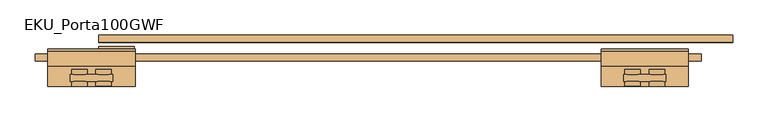
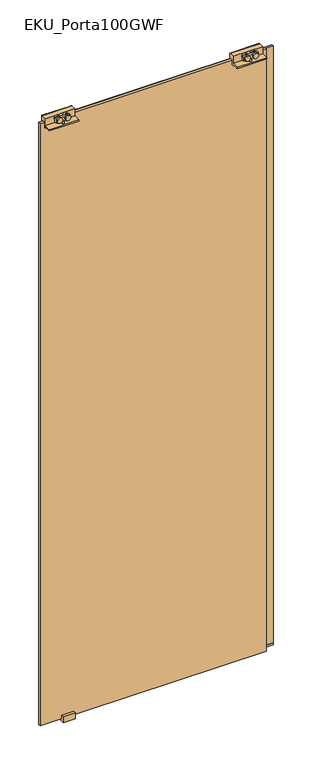
"""IFC4 building model written with IfcOpenShell, lengths in millimetres: door geometry, EKU_Porta100GWF."""

import ifcopenshell
import ifcopenshell.guid

model = None  # the IFC model being written
_history = None  # IfcOwnerHistory: only IFC2X3 demands one
_inside = {}  # id of a spatial element -> (the spatial element, [elements in it])
_under = {}  # id of a project, library or spatial element -> (it, [spatial elements below it])
_declared = {}  # id of a project -> (the project, [libraries it declares])
_typed = {}  # id of a type object -> (the type object, [elements of that type])
_made_of = {}  # id of a material, layer set ... -> (it, [elements and type objects made of it])


def new_model(schema):
    """Start an empty IFC model of exactly this schema.

    Asked for "IFC4X3", IfcOpenShell would pick the latest addendum, in which some entities
    have other attributes; the version numbers below select the first issue.
    IFC2X3 requires an IfcOwnerHistory on every rooted entity: one is made here for all.
    """
    global model, _history
    if schema == "IFC4X3":
        model = ifcopenshell.file(schema_version=(4, 3, 0, 0))
    else:
        model = ifcopenshell.file(schema=schema)
    _inside.clear()
    _under.clear()
    _declared.clear()
    _typed.clear()
    _made_of.clear()
    _history = None
    if model.schema == "IFC2X3":
        org = make("IfcOrganization", Name="unknown")
        user = make(
            "IfcPersonAndOrganization",
            ThePerson=make("IfcPerson", FamilyName="unknown"),
            TheOrganization=org,
        )
        app = make(
            "IfcApplication",
            ApplicationDeveloper=org,
            Version="unknown",
            ApplicationFullName="unknown",
            ApplicationIdentifier="unknown",
        )
        _history = make(
            "IfcOwnerHistory",
            OwningUser=user,
            OwningApplication=app,
            ChangeAction="ADDED",
            CreationDate=0,
        )
    return model


def make(cls, **values):
    """One entity of the class cls with the attributes given. An attribute that is None is left unset."""
    return model.create_entity(
        cls, **{name: value for name, value in values.items() if value is not None}
    )


def rooted(cls, **values):
    """An entity with a GlobalId (a new one), such as an element, a storey or a relation."""
    return make(cls, GlobalId=ifcopenshell.guid.new(), OwnerHistory=_history, **values)


def si_unit(unit_type, name, prefix=None):
    """IfcSIUnit, for example si_unit("LENGTHUNIT", "METRE", prefix="MILLI")."""
    return make("IfcSIUnit", UnitType=unit_type, Prefix=prefix, Name=name)


def assignment(units):
    """IfcUnitAssignment: the units of a project."""
    return None if units is None else make("IfcUnitAssignment", Units=units)


def point(xyz):
    """IfcCartesianPoint."""
    return None if xyz is None else make("IfcCartesianPoint", Coordinates=xyz)


def direction(xyz):
    """IfcDirection."""
    return None if xyz is None else make("IfcDirection", DirectionRatios=xyz)


def frame(location, z_axis=None, x_axis=None):
    """IfcAxis2Placement3D, a coordinate frame: its origin and axes. An axis left out is left unset."""
    return make(
        "IfcAxis2Placement3D",
        Location=point(location),
        Axis=direction(z_axis),
        RefDirection=direction(x_axis),
    )


def frame_2d(location, x_axis=None):
    """IfcAxis2Placement2D, a coordinate frame in the plane: its origin and x axis."""
    return make(
        "IfcAxis2Placement2D", Location=point(location), RefDirection=direction(x_axis)
    )


def origin():
    """The frame at (0, 0, 0) with its axes left unset."""
    return frame((0.0, 0.0, 0.0))


def place(relative_to, where):
    """IfcLocalPlacement: puts the frame where relative to a parent placement (None: the world)."""
    return make(
        "IfcLocalPlacement", PlacementRelTo=relative_to, RelativePlacement=where
    )


def context(
    kind, dimensions, precision=None, world=None, true_north=None, identifier=None
):
    """IfcGeometricRepresentationContext, for example the 3D "Model" context."""
    return make(
        "IfcGeometricRepresentationContext",
        ContextIdentifier=identifier,
        ContextType=kind,
        CoordinateSpaceDimension=dimensions,
        Precision=precision,
        WorldCoordinateSystem=world,
        TrueNorth=true_north,
    )


def project(units=None, contexts=None):
    """IfcProject with its units and contexts."""
    return rooted(
        "IfcProject",
        Name="project",
        RepresentationContexts=contexts,
        UnitsInContext=assignment(units),
    )


def spatial(cls, under=None, at=None, **own):
    """A site, building, storey or space (cls), placed at a placement, below another one or the project."""
    s = rooted(cls, ObjectPlacement=at, **own)
    if under is not None:
        _under.setdefault(under.id(), (under, []))[1].append(s)
    return s


def polyline(points):
    """IfcPolyline through the points."""
    return make("IfcPolyline", Points=[point(p) for p in points])


def circle_curve(where, radius):
    """IfcCircle in the frame where."""
    return make("IfcCircle", Position=where, Radius=radius)


def trimmed(basis, trim1, trim2, sense, master):
    """IfcTrimmedCurve: the piece of a basis curve between two trims."""
    return make(
        "IfcTrimmedCurve",
        BasisCurve=basis,
        Trim1=trim1,
        Trim2=trim2,
        SenseAgreement=sense,
        MasterRepresentation=master,
    )


def segment(curve, same_sense, transition):
    """IfcCompositeCurveSegment."""
    return make(
        "IfcCompositeCurveSegment",
        Transition=transition,
        SameSense=same_sense,
        ParentCurve=curve,
    )


def composite_curve(segments, self_intersect=None):
    """IfcCompositeCurve: segments joined end to end."""
    return make("IfcCompositeCurve", Segments=segments, SelfIntersect=self_intersect)


def outline(outer, holes=None, kind="AREA"):
    """IfcArbitraryClosedProfileDef: a profile drawn as a closed curve; with holes, ...WithVoids."""
    if holes is None:
        return make("IfcArbitraryClosedProfileDef", ProfileType=kind, OuterCurve=outer)
    return make(
        "IfcArbitraryProfileDefWithVoids",
        ProfileType=kind,
        OuterCurve=outer,
        InnerCurves=holes,
    )


def extrude(swept, where, along, depth):
    """IfcExtrudedAreaSolid: the profile swept, set in the frame where, extruded along a direction by depth."""
    return make(
        "IfcExtrudedAreaSolid",
        SweptArea=swept,
        Position=where,
        ExtrudedDirection=direction(along),
        Depth=depth,
    )


def shape(context_of_items, identifier, shape_type, items):
    """IfcShapeRepresentation: the items that make up one representation, for example the "Body"."""
    return make(
        "IfcShapeRepresentation",
        ContextOfItems=context_of_items,
        RepresentationIdentifier=identifier,
        RepresentationType=shape_type,
        Items=items,
    )


def source(mapping_origin, context_of_items, identifier, shape_type, items):
    """IfcRepresentationMap: a shape defined once, which mapped items show again and again."""
    return make(
        "IfcRepresentationMap",
        MappingOrigin=mapping_origin,
        MappedRepresentation=shape(context_of_items, identifier, shape_type, items),
    )


def transform(
    local_origin,
    x_axis=None,
    y_axis=None,
    z_axis=None,
    scale=None,
    scale2=None,
    scale3=None,
    uniform=True,
):
    """IfcCartesianTransformationOperator3D, or its non-uniform kind. x_axis, y_axis, z_axis: its Axis1, 2, 3."""
    if uniform:
        return make(
            "IfcCartesianTransformationOperator3D",
            Axis1=direction(x_axis),
            Axis2=direction(y_axis),
            LocalOrigin=point(local_origin),
            Scale=scale,
            Axis3=direction(z_axis),
        )
    return make(
        "IfcCartesianTransformationOperator3DnonUniform",
        Axis1=direction(x_axis),
        Axis2=direction(y_axis),
        LocalOrigin=point(local_origin),
        Scale=scale,
        Axis3=direction(z_axis),
        Scale2=scale2,
        Scale3=scale3,
    )


def mapped(mapping_source, mapping_target):
    """IfcMappedItem: shows the shape of a source again, moved by a transform."""
    return make(
        "IfcMappedItem", MappingSource=mapping_source, MappingTarget=mapping_target
    )


def made_of(thing, what):
    """Note that an element or type object is made of a material, layer set ...; save() writes the relation."""
    if what is not None:
        _made_of.setdefault(what.id(), (what, []))[1].append(thing)
    return thing


def element(
    cls,
    number,
    at=None,
    inside=None,
    cuts=None,
    type_object=None,
    material=None,
    context=None,
    identifier="Body",
    shape_type=None,
    held_by="IfcProductDefinitionShape",
    body=None,
    shapes=None,
    **own,
):
    """One element of the class cls, such as IfcWall. Its Tag is "e" and its number.

    at: its placement. inside: the storey or other place that contains it. cuts: it is an
    opening in that element (IfcRelVoidsElement). A single representation is given by context,
    identifier, shape_type and body (its items); several are given by shapes. held_by: the class
    of the entity that holds the representations. save() writes the other relations.
    """
    e = rooted(cls, Tag="e%d" % number, ObjectPlacement=at, **own)
    if body is not None:
        shapes = [shape(context, identifier, shape_type, body)]
    if shapes is not None:
        e.Representation = make(held_by, Representations=shapes)
    if inside is not None:
        _inside.setdefault(inside.id(), (inside, []))[1].append(e)
    if cuts is not None:
        rooted(
            "IfcRelVoidsElement", RelatingBuildingElement=cuts, RelatedOpeningElement=e
        )
    if type_object is not None:
        _typed.setdefault(type_object.id(), (type_object, []))[1].append(e)
    return made_of(e, material)


def aggregate(whole, parts):
    """IfcRelAggregates: a whole, such as a stair, and the parts it consists of."""
    return rooted("IfcRelAggregates", RelatingObject=whole, RelatedObjects=parts)


def save(model, path):
    """Write the relations noted so far, then the file.

    IfcRelAggregates (storeys below a building ...), IfcRelContainedInSpatialStructure (elements
    in a storey), IfcRelDefinesByType, IfcRelAssociatesMaterial and IfcRelDeclares: one each for
    every whole, place, type object, material and project.
    """
    for whole, parts in _under.values():
        aggregate(whole, parts)
    for where, things in _inside.values():
        rooted(
            "IfcRelContainedInSpatialStructure",
            RelatedElements=things,
            RelatingStructure=where,
        )
    for kind, things in _typed.values():
        rooted("IfcRelDefinesByType", RelatedObjects=things, RelatingType=kind)
    for what, things in _made_of.values():
        rooted("IfcRelAssociatesMaterial", RelatedObjects=things, RelatingMaterial=what)
    for by, libraries in _declared.values():
        rooted("IfcRelDeclares", RelatingContext=by, RelatedDefinitions=libraries)
    model.write(path)


def eku_porta100gwf_41130097(model_context):
    return source(origin(), model_context, "Body", "SweptSolid", [
        extrude(outline(composite_curve([segment(trimmed(circle_curve(frame_2d((2683.9921875, -749.6562807)), 11.0), [point((2683.9921875, -738.6562807))], [point((2683.9921875, -760.6562807))], False, "CARTESIAN"), True, "CONTINUOUS"), segment(trimmed(circle_curve(frame_2d((2683.9921875, -749.6562807)), 11.0), [point((2683.9921875, -760.6562807))], [point((2683.9921875, -738.6562807))], False, "CARTESIAN"), True, "CONTINUOUS")], self_intersect=False)), frame((0.0, -47.8664, 0.0), z_axis=(0.0, 1.0, 0.0), x_axis=(0.0, 0.0, 1.0)), (0.0, 0.0, 1.0), 6.5829776),
        extrude(outline(composite_curve([segment(trimmed(circle_curve(frame_2d((2683.9993602, -715.2812807)), 11.0), [point((2683.9993602, -704.2812807))], [point((2683.9993602, -726.2812807))], False, "CARTESIAN"), True, "CONTINUOUS"), segment(trimmed(circle_curve(frame_2d((2683.9993602, -715.2812807)), 11.0), [point((2683.9993602, -726.2812807))], [point((2683.9993602, -704.2812807))], False, "CARTESIAN"), True, "CONTINUOUS")], self_intersect=False)), frame((0.0, -31.1869495, 0.0), z_axis=(0.0, 1.0, 0.0), x_axis=(0.0, 0.0, 1.0)), (0.0, 0.0, 1.0), 7.0269907),
        extrude(outline(composite_curve([segment(trimmed(circle_curve(frame_2d((2683.9921875, -715.2812807)), 11.0), [point((2683.9921875, -704.2812807))], [point((2683.9921875, -726.2812807))], False, "CARTESIAN"), True, "CONTINUOUS"), segment(trimmed(circle_curve(frame_2d((2683.9921875, -715.2812807)), 11.0), [point((2683.9921875, -726.2812807))], [point((2683.9921875, -704.2812807))], False, "CARTESIAN"), True, "CONTINUOUS")], self_intersect=False)), frame((0.0, -48.25, 0.0), z_axis=(0.0, 1.0, 0.0), x_axis=(0.0, 0.0, 1.0)), (0.0, 0.0, 1.0), 6.9665776),
        extrude(outline(polyline([(-736.5, -31.1869495), (-728.5, -31.1869495), (-728.5, -41.2834224), (-736.5, -41.2834224), (-736.5, -31.1869495)])), frame((0.0, 0.0, 2661.0), z_axis=(0.0, 0.0, 1.0), x_axis=(1.0, 0.0, 0.0)), (0.0, 0.0, 1.0), 11.9515484),
        extrude(outline(polyline([(-762.5, -41.2834224), (-762.5, -31.1869495), (-702.5, -31.1869495), (-702.5, -41.2834224), (-762.5, -41.2834224)])), frame((0.0, 0.0, 2672.9515484), z_axis=(0.0, 0.0, 1.0), x_axis=(1.0, 0.0, 0.0)), (0.0, 0.0, 1.0), 18.2705237),
        extrude(outline(composite_curve([segment(trimmed(circle_curve(frame_2d((2683.9921875, -749.6562807)), 11.0), [point((2683.9921875, -738.6562807))], [point((2683.9921875, -760.6562807))], False, "CARTESIAN"), True, "CONTINUOUS"), segment(trimmed(circle_curve(frame_2d((2683.9921875, -749.6562807)), 11.0), [point((2683.9921875, -760.6562807))], [point((2683.9921875, -738.6562807))], False, "CARTESIAN"), True, "CONTINUOUS")], self_intersect=False)), frame((0.0, -31.1869495, 0.0), z_axis=(0.0, 1.0, 0.0), x_axis=(0.0, 0.0, 1.0)), (0.0, 0.0, 1.0), 7.0269907),
        extrude(outline(composite_curve([segment(trimmed(circle_curve(frame_2d((2683.9921875, -715.2812807)), 11.0), [point((2683.9921875, -704.2812807))], [point((2683.9921875, -726.2812807))], False, "CARTESIAN"), True, "CONTINUOUS"), segment(trimmed(circle_curve(frame_2d((2683.9921875, -715.2812807)), 11.0), [point((2683.9921875, -726.2812807))], [point((2683.9921875, -704.2812807))], False, "CARTESIAN"), True, "CONTINUOUS")], self_intersect=False)), frame((0.0, -48.25, 0.0), z_axis=(0.0, 1.0, 0.0), x_axis=(0.0, 0.0, 1.0)), (0.0, 0.0, 1.0), 6.9665776),
        extrude(outline(polyline([(-19.25, 2692.0), (2.442747, 2692.0), (4.75, 2692.0), (4.75, 2678.0), (4.75, 2650.0), (-2.25, 2650.0), (-2.25, 2672.0), (-12.25, 2672.0), (-12.25, 2650.0), (-19.25, 2650.0), (-19.25, 2655.0), (-48.25, 2655.0), (-48.25, 2661.0), (-19.25, 2661.0), (-19.25, 2692.0)])), frame((-794.5, 0.0, 0.0), z_axis=(1.0, 0.0, 0.0), x_axis=(0.0, 1.0, 0.0)), (0.0, 0.0, 1.0), 124.0),
        extrude(outline(composite_curve([segment(trimmed(circle_curve(frame_2d((2683.9921875, -1500.3437193)), 11.0), [point((2683.9921875, -1511.3437193))], [point((2683.9921875, -1489.3437193))], False, "CARTESIAN"), True, "CONTINUOUS"), segment(trimmed(circle_curve(frame_2d((2683.9921875, -1500.3437193)), 11.0), [point((2683.9921875, -1489.3437193))], [point((2683.9921875, -1511.3437193))], False, "CARTESIAN"), True, "CONTINUOUS")], self_intersect=False)), frame((0.0, -47.8664, 0.0), z_axis=(0.0, 1.0, 0.0), x_axis=(0.0, 0.0, 1.0)), (0.0, 0.0, 1.0), 6.5829776),
        extrude(outline(composite_curve([segment(trimmed(circle_curve(frame_2d((2683.9993602, -1534.7187193)), 11.0), [point((2683.9993602, -1545.7187193))], [point((2683.9993602, -1523.7187193))], False, "CARTESIAN"), True, "CONTINUOUS"), segment(trimmed(circle_curve(frame_2d((2683.9993602, -1534.7187193)), 11.0), [point((2683.9993602, -1523.7187193))], [point((2683.9993602, -1545.7187193))], False, "CARTESIAN"), True, "CONTINUOUS")], self_intersect=False)), frame((0.0, -31.1869495, 0.0), z_axis=(0.0, 1.0, 0.0), x_axis=(0.0, 0.0, 1.0)), (0.0, 0.0, 1.0), 7.0269907),
        extrude(outline(composite_curve([segment(trimmed(circle_curve(frame_2d((2683.9921875, -1534.7187193)), 11.0), [point((2683.9921875, -1545.7187193))], [point((2683.9921875, -1523.7187193))], False, "CARTESIAN"), True, "CONTINUOUS"), segment(trimmed(circle_curve(frame_2d((2683.9921875, -1534.7187193)), 11.0), [point((2683.9921875, -1523.7187193))], [point((2683.9921875, -1545.7187193))], False, "CARTESIAN"), True, "CONTINUOUS")], self_intersect=False)), frame((0.0, -48.25, 0.0), z_axis=(0.0, 1.0, 0.0), x_axis=(0.0, 0.0, 1.0)), (0.0, 0.0, 1.0), 6.9665776),
        extrude(outline(polyline([(-1513.5, -31.1869495), (-1513.5, -41.2834224), (-1521.5, -41.2834224), (-1521.5, -31.1869495), (-1513.5, -31.1869495)])), frame((0.0, 0.0, 2661.0), z_axis=(0.0, 0.0, 1.0), x_axis=(1.0, 0.0, 0.0)), (0.0, 0.0, 1.0), 11.9515484),
        extrude(outline(polyline([(-1487.5, -41.2834224), (-1547.5, -41.2834224), (-1547.5, -31.1869495), (-1487.5, -31.1869495), (-1487.5, -41.2834224)])), frame((0.0, 0.0, 2672.9515484), z_axis=(0.0, 0.0, 1.0), x_axis=(1.0, 0.0, 0.0)), (0.0, 0.0, 1.0), 18.2705237),
        extrude(outline(composite_curve([segment(trimmed(circle_curve(frame_2d((2683.9921875, -1500.3437193)), 11.0), [point((2683.9921875, -1511.3437193))], [point((2683.9921875, -1489.3437193))], False, "CARTESIAN"), True, "CONTINUOUS"), segment(trimmed(circle_curve(frame_2d((2683.9921875, -1500.3437193)), 11.0), [point((2683.9921875, -1489.3437193))], [point((2683.9921875, -1511.3437193))], False, "CARTESIAN"), True, "CONTINUOUS")], self_intersect=False)), frame((0.0, -31.1869495, 0.0), z_axis=(0.0, 1.0, 0.0), x_axis=(0.0, 0.0, 1.0)), (0.0, 0.0, 1.0), 7.0269907),
        extrude(outline(composite_curve([segment(trimmed(circle_curve(frame_2d((2683.9921875, -1534.7187193)), 11.0), [point((2683.9921875, -1545.7187193))], [point((2683.9921875, -1523.7187193))], False, "CARTESIAN"), True, "CONTINUOUS"), segment(trimmed(circle_curve(frame_2d((2683.9921875, -1534.7187193)), 11.0), [point((2683.9921875, -1523.7187193))], [point((2683.9921875, -1545.7187193))], False, "CARTESIAN"), True, "CONTINUOUS")], self_intersect=False)), frame((0.0, -48.25, 0.0), z_axis=(0.0, 1.0, 0.0), x_axis=(0.0, 0.0, 1.0)), (0.0, 0.0, 1.0), 6.9665776),
        extrude(outline(polyline([(-19.25, 2692.0), (2.442747, 2692.0), (4.75, 2692.0), (4.75, 2678.0), (4.75, 2650.0), (-2.25, 2650.0), (-2.25, 2672.0), (-12.25, 2672.0), (-12.25, 2650.0), (-19.25, 2650.0), (-19.25, 2655.0), (-48.25, 2655.0), (-48.25, 2661.0), (-19.25, 2661.0), (-19.25, 2692.0)])), frame((-1579.5, 0.0, 0.0), z_axis=(1.0, 0.0, 0.0), x_axis=(0.0, 1.0, 0.0)), (0.0, 0.0, 1.0), 124.0),
        extrude(outline(polyline([(-607.5, 24.84375), (-607.5, 14.84375), (-1507.5, 14.84375), (-1507.5, 24.84375), (-607.5, 24.84375)])), frame((0.0, 0.0, 15.0), z_axis=(0.0, 0.0, 1.0), x_axis=(1.0, 0.0, 0.0)), (0.0, 0.0, 1.0), 2637.0),
        extrude(outline(polyline([(-1597.5, -12.25), (-1597.5, -2.25), (-652.5, -2.25), (-652.5, -12.25), (-1597.5, -12.25)])), frame((0.0, 0.0, 10.0), z_axis=(0.0, 0.0, 1.0), x_axis=(1.0, 0.0, 0.0)), (0.0, 0.0, 1.0), 2662.0),
        extrude(outline(polyline([(9.25, 26.0), (9.25, 0.0), (-23.3162943, 0.0), (-23.3162943, 26.0), (-12.25, 26.0), (-12.25, 10.0), (-2.25, 10.0), (-2.25, 26.0), (9.25, 26.0)])), frame((-1507.5, 0.0, 0.0), z_axis=(1.0, 0.0, 0.0), x_axis=(0.0, 1.0, 0.0)), (0.0, 0.0, 1.0), 50.4100933),
        extrude(outline(polyline([(-607.5, 24.84375), (-607.5, 14.84375), (-1507.5, 14.84375), (-1507.5, 24.84375), (-607.5, 24.84375)])), frame((0.0, 0.0, 5.0), z_axis=(0.0, 0.0, 1.0), x_axis=(1.0, 0.0, 0.0)), (0.0, 0.0, 1.0), 10.0),
    ])


if __name__ == "__main__":
    model = new_model("IFC4")
    model_context = context("Model", 3, world=origin())
    ifc_project = project(units=[si_unit("LENGTHUNIT", "METRE", prefix="MILLI")], contexts=[model_context])
    site = spatial("IfcSite", under=ifc_project)
    building = spatial("IfcBuilding", under=site)
    placement = place(None, origin())
    eku_porta100gwf_shape = eku_porta100gwf_41130097(model_context)
    element("IfcDoor", 1, ObjectType="EKU_Porta100GWF", at=placement, inside=building, context=model_context, shape_type="MappedRepresentation", body=[
        mapped(eku_porta100gwf_shape, transform((0.0, 0.0, 0.0), x_axis=(1.0, 0.0, 0.0), y_axis=(0.0, 1.0, 0.0), z_axis=(0.0, 0.0, 1.0))),
    ])
    save(model, "model.ifc")
